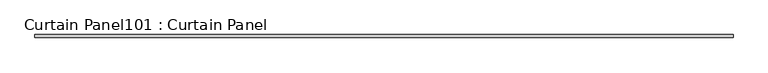
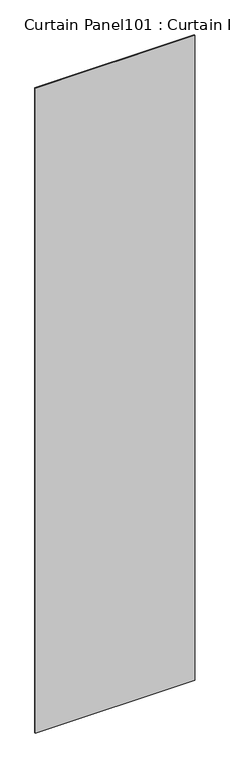
"""IFC4 building model written with IfcOpenShell, lengths in millimetres: plate geometry, Curtain Panel101 : Curtain Panel."""

from ifc_helpers import new_model, si_unit, frame, origin, place, context, project, spatial, polyline, outline, extrude, source, transform, mapped, element, save


def curtain_panel101_curtain_panel_7f248971(model_context):
    return source(origin(), model_context, "Body", "SweptSolid", [
        extrude(outline(polyline([(222592.5386393, 2360.4734836), (221158.0248177, 2360.4734836), (221158.0248177, 2366.8234836), (222592.5386393, 2366.8234836), (222592.5386393, 2360.4734836)])), frame((0.0, 0.0, 4914.2249337), z_axis=(0.0, 0.0, 1.0), x_axis=(1.0, 0.0, 0.0)), (0.0, 0.0, 1.0), 6131.7153516),
    ])


if __name__ == "__main__":
    model = new_model("IFC4")
    model_context = context("Model", 3, world=origin())
    ifc_project = project(units=[si_unit("LENGTHUNIT", "METRE", prefix="MILLI")], contexts=[model_context])
    site = spatial("IfcSite", under=ifc_project)
    building = spatial("IfcBuilding", under=site)
    placement = place(None, origin())
    curtain_panel101_curtain_panel_shape = curtain_panel101_curtain_panel_7f248971(model_context)
    element("IfcPlate", 1, ObjectType="Curtain Panel101 : Curtain Panel", at=placement, inside=building, context=model_context, shape_type="MappedRepresentation", body=[
        mapped(curtain_panel101_curtain_panel_shape, transform((0.0, 0.0, 0.0), x_axis=(1.0, 0.0, 0.0), y_axis=(0.0, 1.0, 0.0), z_axis=(0.0, 0.0, 1.0))),
    ])
    save(model, "model.ifc")
